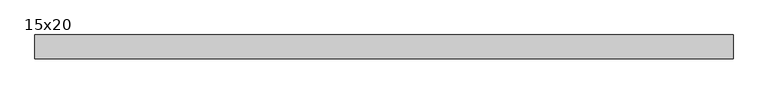
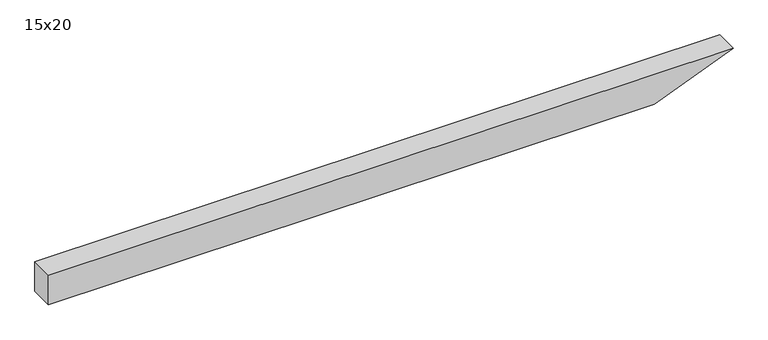
"""IFC4 building model written with IfcOpenShell, lengths in millimetres: beam geometry, 15x20."""

from ifc_helpers import new_model, si_unit, frame, origin, place, context, project, spatial, polyline, outline, extrude, source, transform, mapped, element, save


def beam_15x20_80dad699(model_context):
    return source(origin(), model_context, "Body", "SweptSolid", [
        extrude(outline(polyline([(100.0, -2210.5), (-100.0, -2210.5), (-100.0, 1658.3), (100.0, 2160.5), (100.0, -2210.5)])), frame((0.0, -75.0, 0.0), z_axis=(0.0, 1.0, 0.0), x_axis=(0.0, 0.0, 1.0)), (0.0, 0.0, 1.0), 150.0),
    ])


if __name__ == "__main__":
    model = new_model("IFC4")
    model_context = context("Model", 3, world=origin())
    ifc_project = project(units=[si_unit("LENGTHUNIT", "METRE", prefix="MILLI")], contexts=[model_context])
    site = spatial("IfcSite", under=ifc_project)
    building = spatial("IfcBuilding", under=site)
    placement = place(None, origin())
    beam_15x20_shape = beam_15x20_80dad699(model_context)
    element("IfcBeam", 1, ObjectType="15x20", at=placement, inside=building, context=model_context, shape_type="MappedRepresentation", body=[
        mapped(beam_15x20_shape, transform((0.0, 0.0, 0.0), x_axis=(1.0, 0.0, 0.0), y_axis=(0.0, 1.0, 0.0), z_axis=(0.0, 0.0, 1.0))),
    ])
    save(model, "model.ifc")
